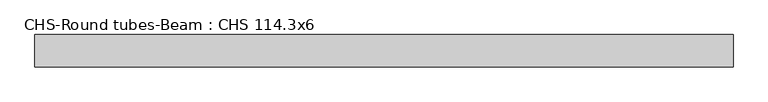
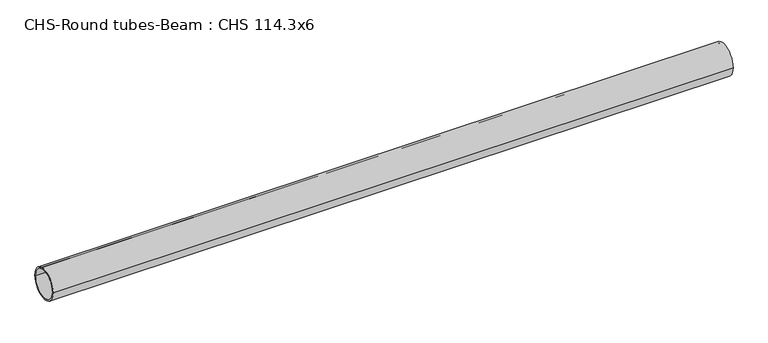
"""IFC4 building model written with IfcOpenShell, lengths in millimetres: beam geometry, CHS-Round tubes-Beam : CHS 114.3x6."""

from ifc_helpers import new_model, si_unit, point, frame, origin, origin_2d, place, context, project, spatial, circle_curve, trimmed, segment, composite_curve, outline, extrude, source, transform, mapped, element, save


def chs_round_tubes_beam_chs_114_3x6_226b8917(model_context):
    return source(origin(), model_context, "Body", "SweptSolid", [
        extrude(outline(composite_curve([segment(trimmed(circle_curve(origin_2d(), 57.15), [point((57.15, 0.0))], [point((-57.15, 0.0))], False, "CARTESIAN"), True, "CONTINUOUS"), segment(trimmed(circle_curve(origin_2d(), 57.15), [point((-57.15, 0.0))], [point((57.15, 0.0))], False, "CARTESIAN"), True, "CONTINUOUS")], self_intersect=False), holes=[composite_curve([segment(trimmed(circle_curve(origin_2d(), 51.15), [point((51.15, 0.0))], [point((-51.15, 0.0))], True, "CARTESIAN"), True, "CONTINUOUS"), segment(trimmed(circle_curve(origin_2d(), 51.15), [point((-51.15, 0.0))], [point((51.15, 0.0))], True, "CARTESIAN"), True, "CONTINUOUS")], self_intersect=False)]), frame((-1171.4450348, 0.0, 0.0), z_axis=(1.0, 0.0, 0.0), x_axis=(0.0, 1.0, 0.0)), (0.0, 0.0, 1.0), 2474.6064045),
    ])


if __name__ == "__main__":
    model = new_model("IFC4")
    model_context = context("Model", 3, world=origin())
    ifc_project = project(units=[si_unit("LENGTHUNIT", "METRE", prefix="MILLI")], contexts=[model_context])
    site = spatial("IfcSite", under=ifc_project)
    building = spatial("IfcBuilding", under=site)
    placement = place(None, origin())
    chs_round_tubes_beam_chs_114_3x6_shape = chs_round_tubes_beam_chs_114_3x6_226b8917(model_context)
    element("IfcBeam", 1, ObjectType="CHS-Round tubes-Beam : CHS 114.3x6", at=placement, inside=building, context=model_context, shape_type="MappedRepresentation", body=[
        mapped(chs_round_tubes_beam_chs_114_3x6_shape, transform((0.0, 0.0, 0.0), x_axis=(1.0, 0.0, 0.0), y_axis=(0.0, 1.0, 0.0), z_axis=(0.0, 0.0, 1.0))),
    ])
    save(model, "model.ifc")
